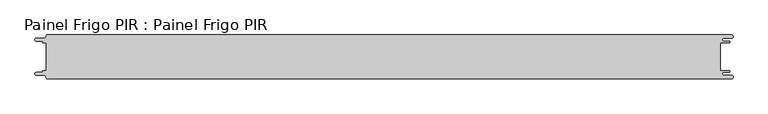
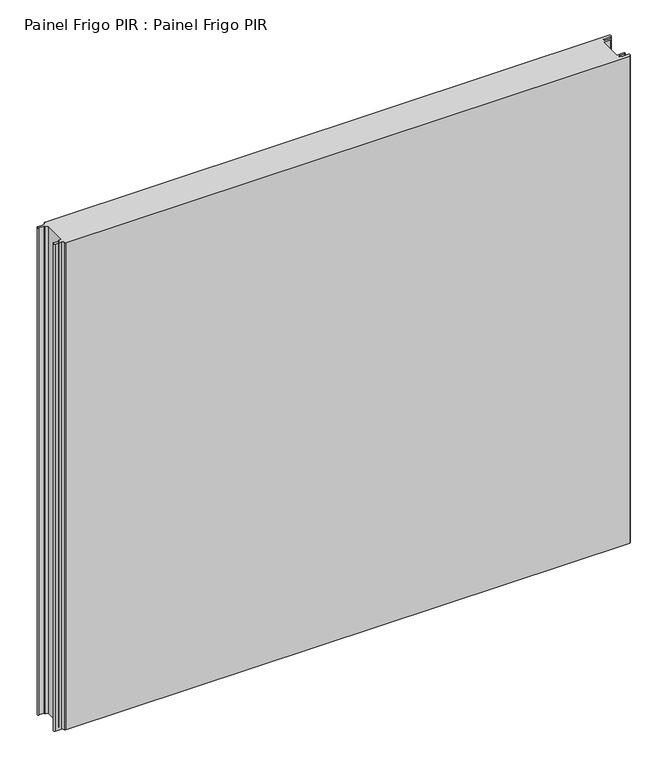
"""IFC4 building model written with IfcOpenShell, lengths in millimetres: proxy geometry, Painel Frigo PIR : Painel Frigo PIR."""

from ifc_helpers import new_model, si_unit, frame, origin, place, context, project, spatial, polyline, circle_curve, source, transform, mapped, element, save
from ifc_brep_helpers import plane_surface, cylinder_surface, revolved_surface, advanced_brep


def painel_frigo_pir_painel_frigo_pir_f5e6d740(model_context):
    return source(origin(), model_context, "Body", "AdvancedBrep", [
        advanced_brep(
        [(-554.5874998, 22.3, 1000.0), (-549.2999612, 22.3, 1000.0), (-549.2999612, -22.2999995, 1000.0), (-554.5874998, -22.2999995, 1000.0), (-555.1875003, -22.9, 1000.0), (-555.1875003, -23.7085185, 1000.0), (-556.5875003, -25.1085185, 1000.0), (-565.565625, -25.1085185, 1000.0), (-565.565625, -29.5085185, 1000.0), (-553.55, -29.5085185, 1000.0), (-550.0, -33.0585185, 1000.0), (-548.05, -35.0, 1000.0), (546.89375, -35.0, 1000.0), (546.89375, -29.725, 1000.0), (534.45625, -29.725, 1000.0), (534.45625, -24.875, 1000.0), (543.1187503, -24.875, 1000.0), (543.1187503, -22.3, 1000.0), (529.2687503, -22.3, 1000.0), (529.2687503, 22.3, 1000.0), (543.1187503, 22.3, 1000.0), (543.1187503, 24.875, 1000.0), (534.45625, 24.875, 1000.0), (534.45625, 29.725, 1000.0), (546.89375, 29.725, 1000.0), (546.89375, 35.0, 1000.0), (-548.05, 35.0, 1000.0), (-550.0, 33.05, 1000.0), (-553.55, 29.5085185, 1000.0), (-565.565625, 29.5085185, 1000.0), (-565.565625, 25.1085187, 1000.0), (-556.5875001, 25.1085187, 1000.0), (-555.1874998, 23.7085184, 1000.0), (-555.1874998, 22.9, 1000.0), (-554.5874998, 22.3, 0.0), (-555.1874998, 22.9, 0.0), (-555.1874998, 23.7085184, 0.0), (-556.5875001, 25.1085187, 0.0), (-565.565625, 25.1085187, 0.0), (-565.565625, 29.5085185, 0.0), (-553.55, 29.5085185, 0.0), (-550.0, 33.0585185, 0.0), (-548.05, 35.0, 0.0), (546.89375, 35.0, 0.0), (546.89375, 29.725, 0.0), (534.45625, 29.725, 0.0), (534.45625, 24.875, 0.0), (543.1187503, 24.875, 0.0), (543.1187503, 22.3, 0.0), (529.2687503, 22.3, 0.0), (529.2687503, -22.3, 0.0), (543.1187503, -22.3, 0.0), (543.1187503, -24.875, 0.0), (534.45625, -24.875, 0.0), (534.45625, -29.725, 0.0), (546.89375, -29.725, 0.0), (546.89375, -35.0, 0.0), (-548.05, -35.0, 0.0), (-550.0, -33.05, 0.0), (-553.55, -29.5085185, 0.0), (-565.565625, -29.5085185, 0.0), (-565.565625, -25.1085185, 0.0), (-556.5875003, -25.1085185, 0.0), (-555.1875003, -23.7085185, 0.0), (-555.1875003, -22.9, 0.0), (-554.5874998, -22.2999995, 0.0), (-549.2999612, -22.2999995, 0.0), (-549.2999612, 22.3, 0.0)],
        [
            (0, 1),
            (1, 2),
            (2, 3),
            (3, 4, circle_curve(frame((-554.5874998, -22.9, 1000.0), z_axis=(0.0, 0.0, 1.0), x_axis=(1.0, 0.0, 0.0)), 0.6000005)),
            (4, 5),
            (5, 6, circle_curve(frame((-556.5875003, -23.7085185, 1000.0), z_axis=(0.0, 0.0, -1.0), x_axis=(1.0, 0.0, 0.0)), 1.4)),
            (6, 7),
            (7, 8, circle_curve(frame((-565.565625, -27.3085185, 1000.0), z_axis=(0.0, 0.0, 1.0), x_axis=(1.0, 0.0, 0.0)), 2.2)),
            (8, 9),
            (9, 10, circle_curve(frame((-553.55, -33.0585185, 1000.0), z_axis=(0.0, 0.0, -1.0), x_axis=(1.0, 0.0, 0.0)), 3.55)),
            (10, 11, circle_curve(frame((-548.05, -33.05, 1000.0), z_axis=(0.0, 0.0, 1.0), x_axis=(1.0, 0.0, 0.0)), 1.95)),
            (11, 12),
            (12, 13, circle_curve(frame((546.89375, -32.3625, 1000.0), z_axis=(0.0, 0.0, 1.0), x_axis=(1.0, 0.0, 0.0)), 2.6375)),
            (13, 14),
            (14, 15, circle_curve(frame((534.45625, -27.3, 1000.0), z_axis=(0.0, 0.0, -1.0), x_axis=(1.0, 0.0, 0.0)), 2.425)),
            (15, 16),
            (16, 17, circle_curve(frame((543.1187503, -23.5875, 1000.0), z_axis=(0.0, 0.0, 1.0), x_axis=(1.0, 0.0, 0.0)), 1.2875)),
            (17, 18),
            (18, 19),
            (19, 20),
            (20, 21, circle_curve(frame((543.1187503, 23.5875, 1000.0), z_axis=(0.0, 0.0, 1.0), x_axis=(1.0, 0.0, 0.0)), 1.2875)),
            (21, 22),
            (22, 23, circle_curve(frame((534.45625, 27.3, 1000.0), z_axis=(0.0, 0.0, -1.0), x_axis=(1.0, 0.0, 0.0)), 2.425)),
            (23, 24),
            (24, 25, circle_curve(frame((546.89375, 32.3625, 1000.0), z_axis=(0.0, 0.0, 1.0), x_axis=(1.0, 0.0, 0.0)), 2.6375)),
            (25, 26),
            (26, 27, circle_curve(frame((-548.05, 33.05, 1000.0), z_axis=(0.0, 0.0, 1.0), x_axis=(1.0, 0.0, 0.0)), 1.95)),
            (27, 28, circle_curve(frame((-553.55, 33.0585185, 1000.0), z_axis=(0.0, 0.0, -1.0), x_axis=(1.0, 0.0, 0.0)), 3.55)),
            (28, 29),
            (29, 30, circle_curve(frame((-565.565625, 27.3085186, 1000.0), z_axis=(0.0, 0.0, 1.0), x_axis=(1.0, 0.0, 0.0)), 2.1999999)),
            (30, 31),
            (31, 32, circle_curve(frame((-556.5875001, 23.7085184, 1000.0), z_axis=(0.0, 0.0, -1.0), x_axis=(1.0, 0.0, 0.0)), 1.4000003)),
            (32, 33),
            (33, 0, circle_curve(frame((-554.5874998, 22.9, 1000.0), z_axis=(0.0, 0.0, 1.0), x_axis=(1.0, 0.0, 0.0)), 0.6)),
            (34, 35, circle_curve(frame((-554.5874998, 22.9, 0.0), z_axis=(0.0, 0.0, -1.0), x_axis=(1.0, 0.0, 0.0)), 0.6)),
            (35, 36),
            (36, 37, circle_curve(frame((-556.5875001, 23.7085184, 0.0), z_axis=(0.0, 0.0, 1.0), x_axis=(1.0, 0.0, 0.0)), 1.4000003)),
            (37, 38),
            (38, 39, circle_curve(frame((-565.565625, 27.3085186, 0.0), z_axis=(0.0, 0.0, -1.0), x_axis=(1.0, 0.0, 0.0)), 2.1999999)),
            (39, 40),
            (40, 41, circle_curve(frame((-553.55, 33.0585185, 0.0), z_axis=(0.0, 0.0, 1.0), x_axis=(1.0, 0.0, 0.0)), 3.55)),
            (41, 42, circle_curve(frame((-548.05, 33.05, 0.0), z_axis=(0.0, 0.0, -1.0), x_axis=(1.0, 0.0, 0.0)), 1.95)),
            (42, 43),
            (43, 44, circle_curve(frame((546.89375, 32.3625, 0.0), z_axis=(0.0, 0.0, -1.0), x_axis=(1.0, 0.0, 0.0)), 2.6375)),
            (44, 45),
            (45, 46, circle_curve(frame((534.45625, 27.3, 0.0), z_axis=(0.0, 0.0, 1.0), x_axis=(1.0, 0.0, 0.0)), 2.425)),
            (46, 47),
            (47, 48, circle_curve(frame((543.1187503, 23.5875, 0.0), z_axis=(0.0, 0.0, -1.0), x_axis=(1.0, 0.0, 0.0)), 1.2875)),
            (48, 49),
            (49, 50),
            (50, 51),
            (51, 52, circle_curve(frame((543.1187503, -23.5875, 0.0), z_axis=(0.0, 0.0, -1.0), x_axis=(1.0, 0.0, 0.0)), 1.2875)),
            (52, 53),
            (53, 54, circle_curve(frame((534.45625, -27.3, 0.0), z_axis=(0.0, 0.0, 1.0), x_axis=(1.0, 0.0, 0.0)), 2.425)),
            (54, 55),
            (55, 56, circle_curve(frame((546.89375, -32.3625, 0.0), z_axis=(0.0, 0.0, -1.0), x_axis=(1.0, 0.0, 0.0)), 2.6375)),
            (56, 57),
            (57, 58, circle_curve(frame((-548.05, -33.05, 0.0), z_axis=(0.0, 0.0, -1.0), x_axis=(1.0, 0.0, 0.0)), 1.95)),
            (58, 59, circle_curve(frame((-553.55, -33.0585185, 0.0), z_axis=(0.0, 0.0, 1.0), x_axis=(1.0, 0.0, 0.0)), 3.55)),
            (59, 60),
            (60, 61, circle_curve(frame((-565.565625, -27.3085185, 0.0), z_axis=(0.0, 0.0, -1.0), x_axis=(1.0, 0.0, 0.0)), 2.2)),
            (61, 62),
            (62, 63, circle_curve(frame((-556.5875003, -23.7085185, 0.0), z_axis=(0.0, 0.0, 1.0), x_axis=(1.0, 0.0, 0.0)), 1.4)),
            (63, 64),
            (64, 65, circle_curve(frame((-554.5874998, -22.9, 0.0), z_axis=(0.0, 0.0, -1.0), x_axis=(1.0, 0.0, 0.0)), 0.6000005)),
            (65, 66),
            (66, 67),
            (67, 34),
            (0, 34),
            (67, 1),
            (66, 2),
            (65, 3),
            (64, 4),
            (63, 5),
            (62, 6),
            (61, 7),
            (60, 8),
            (59, 9),
            (58, 10),
            (57, 11),
            (56, 12),
            (18, 50),
            (49, 19),
            (48, 20),
            (47, 21),
            (46, 22),
            (45, 23),
            (44, 24),
            (43, 25),
            (42, 26),
            (41, 27),
            (40, 28),
            (39, 29),
            (38, 30),
            (37, 31),
            (36, 32),
            (35, 33),
            (55, 13),
            (54, 14),
            (53, 15),
            (52, 16),
            (51, 17),
        ],
        [
            plane_surface(frame((-549.2999612, 22.3, 1000.0), z_axis=(0.0, 0.0, 1.0), x_axis=(1.0, 0.0, 0.0))),
            plane_surface(frame((-549.2999612, 22.3, 0.0), z_axis=(0.0, 0.0, -1.0), x_axis=(-1.0, 0.0, 0.0))),
            plane_surface(frame((-554.5874998, 22.3, 1000.0), z_axis=(0.0, -1.0, 0.0), x_axis=(0.0, 0.0, -1.0))),
            plane_surface(frame((-549.2999612, 22.3, 1000.0), z_axis=(-1.0, 0.0, 0.0), x_axis=(0.0, 0.0, -1.0))),
            plane_surface(frame((-549.2999612, -22.2999995, 1000.0), z_axis=(0.0, 1.0, 0.0), x_axis=(0.0, 0.0, -1.0))),
            cylinder_surface(frame((-554.5874998, -22.9, 0.0), z_axis=(0.0, 0.0, 1.0), x_axis=(1.0, 0.0, 0.0)), 0.6000005),
            plane_surface(frame((-555.1875003, -22.9, 1000.0), z_axis=(-1.0, 1.7578608662329244e-12, 0.0), x_axis=(0.0, 0.0, -1.0))),
            revolved_surface(polyline([(-555.1875003, -23.7085185, 0.0), (-555.1875003, -23.7085185, 1000.0)]), (-556.5875003, -23.7085185, 0.0), (0.0, 0.0, -1.0)),
            plane_surface(frame((-556.5875003, -25.1085185, 1000.0), z_axis=(0.0, 1.0, 0.0), x_axis=(0.0, 0.0, -1.0))),
            cylinder_surface(frame((-565.565625, -27.3085185, 0.0), z_axis=(0.0, 0.0, 1.0), x_axis=(1.0, 0.0, 0.0)), 2.2),
            plane_surface(frame((-565.565625, -29.5085185, 1000.0), z_axis=(0.0, -1.0, 0.0), x_axis=(0.0, 0.0, -1.0))),
            revolved_surface(polyline([(-550.0, -33.0585185, 0.0), (-550.0, -33.0585185, 1000.0)]), (-553.55, -33.0585185, 0.0), (0.0, 0.0, -1.0)),
            cylinder_surface(frame((-548.05, -33.05, 0.0), z_axis=(0.0, 0.0, 1.0), x_axis=(1.0, 0.0, 0.0)), 1.95),
            plane_surface(frame((-548.05, -35.0, 1000.0), z_axis=(0.0, -1.0, 0.0), x_axis=(0.0, 0.0, -1.0))),
            plane_surface(frame((529.2687503, -22.3, 1000.0), z_axis=(1.0, 0.0, 0.0), x_axis=(0.0, 0.0, -1.0))),
            plane_surface(frame((529.2687503, 22.3, 1000.0), z_axis=(0.0, -1.0, 0.0), x_axis=(0.0, 0.0, -1.0))),
            cylinder_surface(frame((543.1187503, 23.5875, 0.0), z_axis=(0.0, 0.0, 1.0), x_axis=(1.0, 0.0, 0.0)), 1.2875),
            plane_surface(frame((543.1187503, 24.875, 1000.0), z_axis=(0.0, 1.0, 0.0), x_axis=(0.0, 0.0, -1.0))),
            revolved_surface(polyline([(536.8812499999999, 27.3, 0.0), (536.8812499999999, 27.3, 1000.0)]), (534.45625, 27.3, 0.0), (0.0, 0.0, -1.0)),
            plane_surface(frame((534.45625, 29.725, 1000.0), z_axis=(0.0, -1.0, 0.0), x_axis=(0.0, 0.0, -1.0))),
            cylinder_surface(frame((546.89375, 32.3625, 0.0), z_axis=(0.0, 0.0, 1.0), x_axis=(1.0, 0.0, 0.0)), 2.6375),
            plane_surface(frame((546.89375, 35.0, 1000.0), z_axis=(0.0, 1.0, 0.0), x_axis=(0.0, 0.0, -1.0))),
            cylinder_surface(frame((-548.05, 33.05, 0.0), z_axis=(0.0, 0.0, 1.0), x_axis=(1.0, 0.0, 0.0)), 1.95),
            revolved_surface(polyline([(-550.0, 33.0585185, 0.0), (-550.0, 33.0585185, 1000.0)]), (-553.55, 33.0585185, 0.0), (0.0, 0.0, -1.0)),
            plane_surface(frame((-553.55, 29.5085185, 1000.0), z_axis=(0.0, 1.0, 0.0), x_axis=(0.0, 0.0, -1.0))),
            cylinder_surface(frame((-565.565625, 27.3085186, 0.0), z_axis=(0.0, 0.0, 1.0), x_axis=(1.0, 0.0, 0.0)), 2.1999999),
            plane_surface(frame((-565.565625, 25.1085187, 1000.0), z_axis=(0.0, -1.0, 0.0), x_axis=(0.0, 0.0, -1.0))),
            revolved_surface(polyline([(-555.1874998000001, 23.7085184, 0.0), (-555.1874998000001, 23.7085184, 1000.0)]), (-556.5875001, 23.7085184, 0.0), (0.0, 0.0, -1.0)),
            plane_surface(frame((-555.1874998, 23.7085184, 1000.0), z_axis=(-1.0, 0.0, 0.0), x_axis=(0.0, 0.0, -1.0))),
            cylinder_surface(frame((-554.5874998, 22.9, 0.0), z_axis=(0.0, 0.0, 1.0), x_axis=(1.0, 0.0, 0.0)), 0.6),
            cylinder_surface(frame((546.89375, -32.3625, 0.0), z_axis=(0.0, 0.0, 1.0), x_axis=(1.0, 0.0, 0.0)), 2.6375),
            plane_surface(frame((546.89375, -29.725, 1000.0), z_axis=(0.0, 1.0, 0.0), x_axis=(0.0, 0.0, -1.0))),
            revolved_surface(polyline([(536.8812499999999, -27.3, 0.0), (536.8812499999999, -27.3, 1000.0)]), (534.45625, -27.3, 0.0), (0.0, 0.0, -1.0)),
            plane_surface(frame((534.45625, -24.875, 1000.0), z_axis=(0.0, -1.0, 0.0), x_axis=(0.0, 0.0, -1.0))),
            cylinder_surface(frame((543.1187503, -23.5875, 0.0), z_axis=(0.0, 0.0, 1.0), x_axis=(1.0, 0.0, 0.0)), 1.2875),
            plane_surface(frame((543.1187503, -22.3, 1000.0), z_axis=(0.0, 1.0, 0.0), x_axis=(0.0, 0.0, -1.0))),
        ],
        [
            (0, [[1, 2, 3, 4, 5, 6, 7, 8, 9, 10, 11, 12, 13, 14, 15, 16, 17, 18, 19, 20, 21, 22, 23, 24, 25, 26, 27, 28, 29, 30, 31, 32, 33, 34]]),
            (1, [[35, 36, 37, 38, 39, 40, 41, 42, 43, 44, 45, 46, 47, 48, 49, 50, 51, 52, 53, 54, 55, 56, 57, 58, 59, 60, 61, 62, 63, 64, 65, 66, 67, 68]]),
            (2, [[-1, 69, -68, 70]]),
            (3, [[-2, -70, -67, 71]]),
            (4, [[-3, -71, -66, 72]]),
            (5, [[-4, -72, -65, 73]]),
            (6, [[-5, -73, -64, 74]]),
            (7, [[-6, -74, -63, 75]]),
            (8, [[-7, -75, -62, 76]]),
            (9, [[-8, -76, -61, 77]]),
            (10, [[-9, -77, -60, 78]]),
            (11, [[-10, -78, -59, 79]]),
            (12, [[-11, -79, -58, 80]]),
            (13, [[-12, -80, -57, 81]]),
            (14, [[-19, 82, -50, 83]]),
            (15, [[-20, -83, -49, 84]]),
            (16, [[-21, -84, -48, 85]]),
            (17, [[-22, -85, -47, 86]]),
            (18, [[-23, -86, -46, 87]]),
            (19, [[-24, -87, -45, 88]]),
            (20, [[-25, -88, -44, 89]]),
            (21, [[-26, -89, -43, 90]]),
            (22, [[-27, -90, -42, 91]]),
            (23, [[-28, -91, -41, 92]]),
            (24, [[-29, -92, -40, 93]]),
            (25, [[-30, -93, -39, 94]]),
            (26, [[-31, -94, -38, 95]]),
            (27, [[-32, -95, -37, 96]]),
            (28, [[-33, -96, -36, 97]]),
            (29, [[-34, -97, -35, -69]]),
            (30, [[-13, -81, -56, 98]]),
            (31, [[-14, -98, -55, 99]]),
            (32, [[-15, -99, -54, 100]]),
            (33, [[-16, -100, -53, 101]]),
            (34, [[-17, -101, -52, 102]]),
            (35, [[-18, -102, -51, -82]]),
        ],
    ),
    ])


if __name__ == "__main__":
    model = new_model("IFC4")
    model_context = context("Model", 3, world=origin())
    ifc_project = project(units=[si_unit("LENGTHUNIT", "METRE", prefix="MILLI")], contexts=[model_context])
    site = spatial("IfcSite", under=ifc_project)
    building = spatial("IfcBuilding", under=site)
    placement = place(None, origin())
    painel_frigo_pir_painel_frigo_pir_shape = painel_frigo_pir_painel_frigo_pir_f5e6d740(model_context)
    element("IfcBuildingElementProxy", 1, Name="Painel Frigo PIR : Painel Frigo PIR", ObjectType="Painel Frigo PIR : Painel Frigo PIR", at=placement, inside=building, context=model_context, shape_type="MappedRepresentation", body=[
        mapped(painel_frigo_pir_painel_frigo_pir_shape, transform((0.0, 0.0, 0.0), x_axis=(1.0, 0.0, 0.0), y_axis=(0.0, 1.0, 0.0), z_axis=(0.0, 0.0, 1.0))),
    ])
    save(model, "model.ifc")
